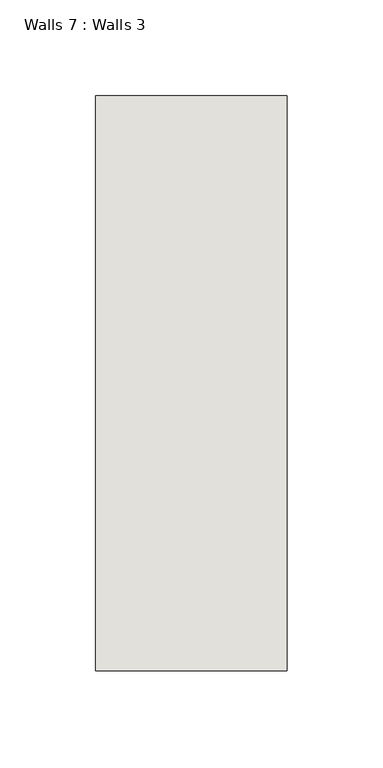
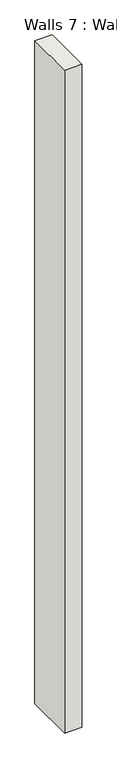
"""IFC4 building model written with IfcOpenShell, lengths in millimetres: wall geometry, Walls 7 : Walls 3."""

from ifc_helpers import new_model, si_unit, origin, origin_with_axes, place, context, project, spatial, polyline, outline, extrude, source, transform, mapped, element, save


def walls_7_walls_3_cdc82e6f(model_context):
    return source(origin(), model_context, "Body", "SweptSolid", [
        extrude(outline(polyline([(-7812.3812655, 1518.41264), (-7812.3812655, 1818.41264), (-7712.3812655, 1818.41264), (-7712.3812655, 1518.41264), (-7812.3812655, 1518.41264)])), origin_with_axes(), (0.0, 0.0, 1.0), 4085.1192828),
    ])


if __name__ == "__main__":
    model = new_model("IFC4")
    model_context = context("Model", 3, world=origin())
    ifc_project = project(units=[si_unit("LENGTHUNIT", "METRE", prefix="MILLI")], contexts=[model_context])
    site = spatial("IfcSite", under=ifc_project)
    building = spatial("IfcBuilding", under=site)
    placement = place(None, origin())
    walls_7_walls_3_shape = walls_7_walls_3_cdc82e6f(model_context)
    element("IfcWall", 1, ObjectType="Walls 7 : Walls 3", at=placement, inside=building, context=model_context, shape_type="MappedRepresentation", body=[
        mapped(walls_7_walls_3_shape, transform((0.0, 0.0, 0.0), x_axis=(1.0, 0.0, 0.0), y_axis=(0.0, 1.0, 0.0), z_axis=(0.0, 0.0, 1.0))),
    ])
    save(model, "model.ifc")
